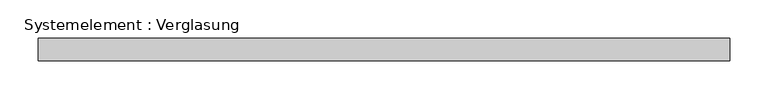
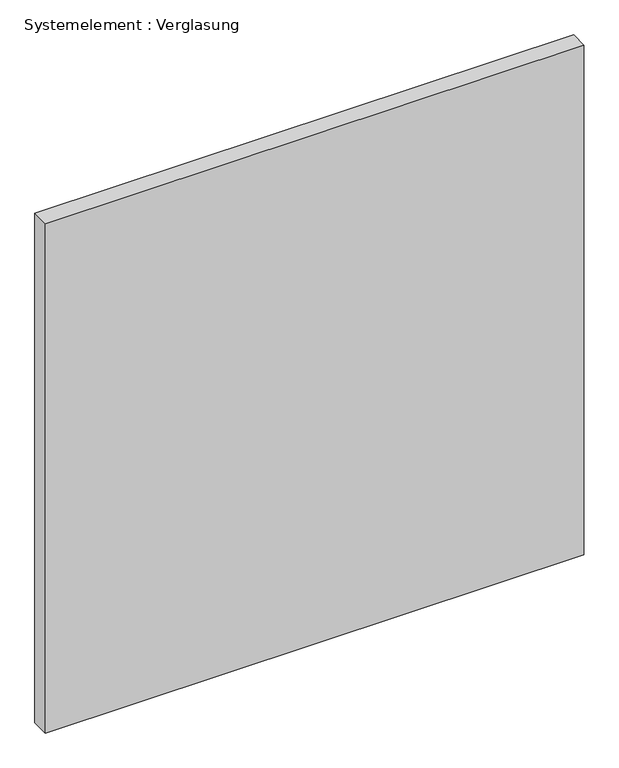
"""IFC4 building model written with IfcOpenShell, lengths in millimetres: plate geometry, Systemelement : Verglasung."""

from ifc_helpers import new_model, si_unit, origin, origin_with_axes, place, context, project, spatial, polyline, outline, extrude, source, transform, mapped, element, save


def systemelement_verglasung_8dc0b68f(model_context):
    return source(origin(), model_context, "Body", "SweptSolid", [
        extrude(outline(polyline([(455.0, -15.0), (-455.0, -15.0), (-455.0, 15.0), (455.0, 15.0), (455.0, -15.0)])), origin_with_axes(), (0.0, 0.0, 1.0), 910.0),
    ])


if __name__ == "__main__":
    model = new_model("IFC4")
    model_context = context("Model", 3, world=origin())
    ifc_project = project(units=[si_unit("LENGTHUNIT", "METRE", prefix="MILLI")], contexts=[model_context])
    site = spatial("IfcSite", under=ifc_project)
    building = spatial("IfcBuilding", under=site)
    placement = place(None, origin())
    systemelement_verglasung_shape = systemelement_verglasung_8dc0b68f(model_context)
    element("IfcPlate", 1, ObjectType="Systemelement : Verglasung", at=placement, inside=building, context=model_context, shape_type="MappedRepresentation", body=[
        mapped(systemelement_verglasung_shape, transform((0.0, 0.0, 0.0), x_axis=(1.0, 0.0, 0.0), y_axis=(0.0, 1.0, 0.0), z_axis=(0.0, 0.0, 1.0))),
    ])
    save(model, "model.ifc")
